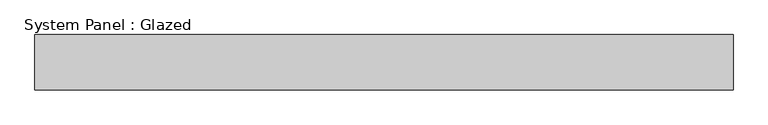
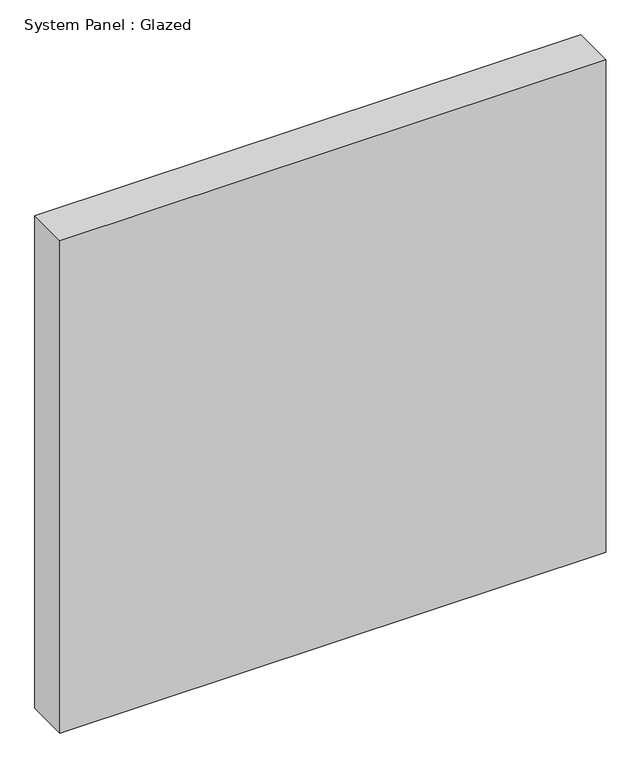
"""IFC4 building model written with IfcOpenShell, lengths in millimetres: plate geometry, System Panel : Glazed."""

import ifcopenshell
import ifcopenshell.guid

model = None  # the IFC model being written
_history = None  # IfcOwnerHistory: only IFC2X3 demands one
_inside = {}  # id of a spatial element -> (the spatial element, [elements in it])
_under = {}  # id of a project, library or spatial element -> (it, [spatial elements below it])
_declared = {}  # id of a project -> (the project, [libraries it declares])
_typed = {}  # id of a type object -> (the type object, [elements of that type])
_made_of = {}  # id of a material, layer set ... -> (it, [elements and type objects made of it])


def new_model(schema):
    """Start an empty IFC model of exactly this schema.

    Asked for "IFC4X3", IfcOpenShell would pick the latest addendum, in which some entities
    have other attributes; the version numbers below select the first issue.
    IFC2X3 requires an IfcOwnerHistory on every rooted entity: one is made here for all.
    """
    global model, _history
    if schema == "IFC4X3":
        model = ifcopenshell.file(schema_version=(4, 3, 0, 0))
    else:
        model = ifcopenshell.file(schema=schema)
    _inside.clear()
    _under.clear()
    _declared.clear()
    _typed.clear()
    _made_of.clear()
    _history = None
    if model.schema == "IFC2X3":
        org = make("IfcOrganization", Name="unknown")
        user = make(
            "IfcPersonAndOrganization",
            ThePerson=make("IfcPerson", FamilyName="unknown"),
            TheOrganization=org,
        )
        app = make(
            "IfcApplication",
            ApplicationDeveloper=org,
            Version="unknown",
            ApplicationFullName="unknown",
            ApplicationIdentifier="unknown",
        )
        _history = make(
            "IfcOwnerHistory",
            OwningUser=user,
            OwningApplication=app,
            ChangeAction="ADDED",
            CreationDate=0,
        )
    return model


def make(cls, **values):
    """One entity of the class cls with the attributes given. An attribute that is None is left unset."""
    return model.create_entity(
        cls, **{name: value for name, value in values.items() if value is not None}
    )


def rooted(cls, **values):
    """An entity with a GlobalId (a new one), such as an element, a storey or a relation."""
    return make(cls, GlobalId=ifcopenshell.guid.new(), OwnerHistory=_history, **values)


def si_unit(unit_type, name, prefix=None):
    """IfcSIUnit, for example si_unit("LENGTHUNIT", "METRE", prefix="MILLI")."""
    return make("IfcSIUnit", UnitType=unit_type, Prefix=prefix, Name=name)


def assignment(units):
    """IfcUnitAssignment: the units of a project."""
    return None if units is None else make("IfcUnitAssignment", Units=units)


def point(xyz):
    """IfcCartesianPoint."""
    return None if xyz is None else make("IfcCartesianPoint", Coordinates=xyz)


def direction(xyz):
    """IfcDirection."""
    return None if xyz is None else make("IfcDirection", DirectionRatios=xyz)


def frame(location, z_axis=None, x_axis=None):
    """IfcAxis2Placement3D, a coordinate frame: its origin and axes. An axis left out is left unset."""
    return make(
        "IfcAxis2Placement3D",
        Location=point(location),
        Axis=direction(z_axis),
        RefDirection=direction(x_axis),
    )


def origin():
    """The frame at (0, 0, 0) with its axes left unset."""
    return frame((0.0, 0.0, 0.0))


def origin_with_axes():
    """The frame at (0, 0, 0) with the z axis (0, 0, 1) and the x axis (1, 0, 0) written out."""
    return frame((0.0, 0.0, 0.0), z_axis=(0.0, 0.0, 1.0), x_axis=(1.0, 0.0, 0.0))


def place(relative_to, where):
    """IfcLocalPlacement: puts the frame where relative to a parent placement (None: the world)."""
    return make(
        "IfcLocalPlacement", PlacementRelTo=relative_to, RelativePlacement=where
    )


def context(
    kind, dimensions, precision=None, world=None, true_north=None, identifier=None
):
    """IfcGeometricRepresentationContext, for example the 3D "Model" context."""
    return make(
        "IfcGeometricRepresentationContext",
        ContextIdentifier=identifier,
        ContextType=kind,
        CoordinateSpaceDimension=dimensions,
        Precision=precision,
        WorldCoordinateSystem=world,
        TrueNorth=true_north,
    )


def project(units=None, contexts=None):
    """IfcProject with its units and contexts."""
    return rooted(
        "IfcProject",
        Name="project",
        RepresentationContexts=contexts,
        UnitsInContext=assignment(units),
    )


def spatial(cls, under=None, at=None, **own):
    """A site, building, storey or space (cls), placed at a placement, below another one or the project."""
    s = rooted(cls, ObjectPlacement=at, **own)
    if under is not None:
        _under.setdefault(under.id(), (under, []))[1].append(s)
    return s


def polyline(points):
    """IfcPolyline through the points."""
    return make("IfcPolyline", Points=[point(p) for p in points])


def outline(outer, holes=None, kind="AREA"):
    """IfcArbitraryClosedProfileDef: a profile drawn as a closed curve; with holes, ...WithVoids."""
    if holes is None:
        return make("IfcArbitraryClosedProfileDef", ProfileType=kind, OuterCurve=outer)
    return make(
        "IfcArbitraryProfileDefWithVoids",
        ProfileType=kind,
        OuterCurve=outer,
        InnerCurves=holes,
    )


def extrude(swept, where, along, depth):
    """IfcExtrudedAreaSolid: the profile swept, set in the frame where, extruded along a direction by depth."""
    return make(
        "IfcExtrudedAreaSolid",
        SweptArea=swept,
        Position=where,
        ExtrudedDirection=direction(along),
        Depth=depth,
    )


def shape(context_of_items, identifier, shape_type, items):
    """IfcShapeRepresentation: the items that make up one representation, for example the "Body"."""
    return make(
        "IfcShapeRepresentation",
        ContextOfItems=context_of_items,
        RepresentationIdentifier=identifier,
        RepresentationType=shape_type,
        Items=items,
    )


def source(mapping_origin, context_of_items, identifier, shape_type, items):
    """IfcRepresentationMap: a shape defined once, which mapped items show again and again."""
    return make(
        "IfcRepresentationMap",
        MappingOrigin=mapping_origin,
        MappedRepresentation=shape(context_of_items, identifier, shape_type, items),
    )


def transform(
    local_origin,
    x_axis=None,
    y_axis=None,
    z_axis=None,
    scale=None,
    scale2=None,
    scale3=None,
    uniform=True,
):
    """IfcCartesianTransformationOperator3D, or its non-uniform kind. x_axis, y_axis, z_axis: its Axis1, 2, 3."""
    if uniform:
        return make(
            "IfcCartesianTransformationOperator3D",
            Axis1=direction(x_axis),
            Axis2=direction(y_axis),
            LocalOrigin=point(local_origin),
            Scale=scale,
            Axis3=direction(z_axis),
        )
    return make(
        "IfcCartesianTransformationOperator3DnonUniform",
        Axis1=direction(x_axis),
        Axis2=direction(y_axis),
        LocalOrigin=point(local_origin),
        Scale=scale,
        Axis3=direction(z_axis),
        Scale2=scale2,
        Scale3=scale3,
    )


def mapped(mapping_source, mapping_target):
    """IfcMappedItem: shows the shape of a source again, moved by a transform."""
    return make(
        "IfcMappedItem", MappingSource=mapping_source, MappingTarget=mapping_target
    )


def made_of(thing, what):
    """Note that an element or type object is made of a material, layer set ...; save() writes the relation."""
    if what is not None:
        _made_of.setdefault(what.id(), (what, []))[1].append(thing)
    return thing


def element(
    cls,
    number,
    at=None,
    inside=None,
    cuts=None,
    type_object=None,
    material=None,
    context=None,
    identifier="Body",
    shape_type=None,
    held_by="IfcProductDefinitionShape",
    body=None,
    shapes=None,
    **own,
):
    """One element of the class cls, such as IfcWall. Its Tag is "e" and its number.

    at: its placement. inside: the storey or other place that contains it. cuts: it is an
    opening in that element (IfcRelVoidsElement). A single representation is given by context,
    identifier, shape_type and body (its items); several are given by shapes. held_by: the class
    of the entity that holds the representations. save() writes the other relations.
    """
    e = rooted(cls, Tag="e%d" % number, ObjectPlacement=at, **own)
    if body is not None:
        shapes = [shape(context, identifier, shape_type, body)]
    if shapes is not None:
        e.Representation = make(held_by, Representations=shapes)
    if inside is not None:
        _inside.setdefault(inside.id(), (inside, []))[1].append(e)
    if cuts is not None:
        rooted(
            "IfcRelVoidsElement", RelatingBuildingElement=cuts, RelatedOpeningElement=e
        )
    if type_object is not None:
        _typed.setdefault(type_object.id(), (type_object, []))[1].append(e)
    return made_of(e, material)


def aggregate(whole, parts):
    """IfcRelAggregates: a whole, such as a stair, and the parts it consists of."""
    return rooted("IfcRelAggregates", RelatingObject=whole, RelatedObjects=parts)


def save(model, path):
    """Write the relations noted so far, then the file.

    IfcRelAggregates (storeys below a building ...), IfcRelContainedInSpatialStructure (elements
    in a storey), IfcRelDefinesByType, IfcRelAssociatesMaterial and IfcRelDeclares: one each for
    every whole, place, type object, material and project.
    """
    for whole, parts in _under.values():
        aggregate(whole, parts)
    for where, things in _inside.values():
        rooted(
            "IfcRelContainedInSpatialStructure",
            RelatedElements=things,
            RelatingStructure=where,
        )
    for kind, things in _typed.values():
        rooted("IfcRelDefinesByType", RelatedObjects=things, RelatingType=kind)
    for what, things in _made_of.values():
        rooted("IfcRelAssociatesMaterial", RelatedObjects=things, RelatingMaterial=what)
    for by, libraries in _declared.values():
        rooted("IfcRelDeclares", RelatingContext=by, RelatedDefinitions=libraries)
    model.write(path)


def system_panel_glazed_bc961822(model_context):
    return source(origin(), model_context, "Body", "SweptSolid", [
        extrude(outline(polyline([(629.0, 50.0), (-629.0, 50.0), (-629.0, 150.0), (629.0, 150.0), (629.0, 50.0)])), origin_with_axes(), (0.0, 0.0, 1.0), 1200.0),
    ])


if __name__ == "__main__":
    model = new_model("IFC4")
    model_context = context("Model", 3, world=origin())
    ifc_project = project(units=[si_unit("LENGTHUNIT", "METRE", prefix="MILLI")], contexts=[model_context])
    site = spatial("IfcSite", under=ifc_project)
    building = spatial("IfcBuilding", under=site)
    placement = place(None, origin())
    system_panel_glazed_shape = system_panel_glazed_bc961822(model_context)
    element("IfcPlate", 1, ObjectType="System Panel : Glazed", at=placement, inside=building, context=model_context, shape_type="MappedRepresentation", body=[
        mapped(system_panel_glazed_shape, transform((0.0, 0.0, 0.0), x_axis=(1.0, 0.0, 0.0), y_axis=(0.0, 1.0, 0.0), z_axis=(0.0, 0.0, 1.0))),
    ])
    save(model, "model.ifc")
